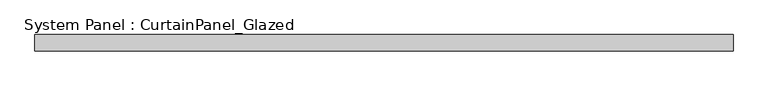
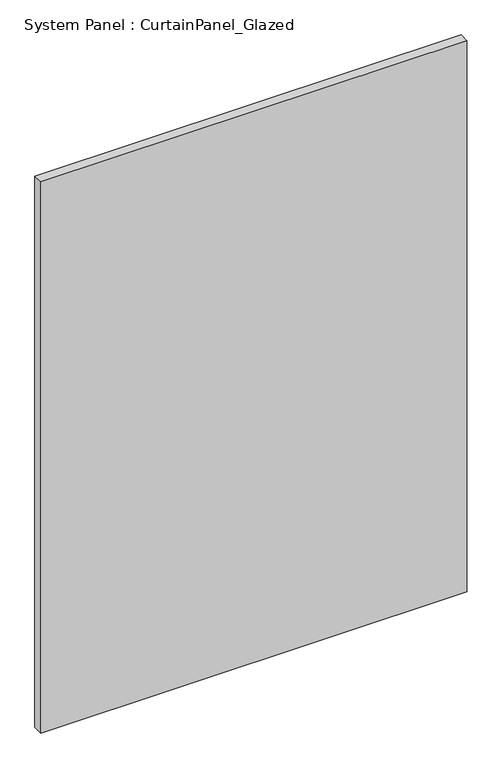
"""IFC4 building model written with IfcOpenShell, lengths in millimetres: plate geometry, System Panel : CurtainPanel_Glazed."""

import ifcopenshell
import ifcopenshell.guid

model = None  # the IFC model being written
_history = None  # IfcOwnerHistory: only IFC2X3 demands one
_inside = {}  # id of a spatial element -> (the spatial element, [elements in it])
_under = {}  # id of a project, library or spatial element -> (it, [spatial elements below it])
_declared = {}  # id of a project -> (the project, [libraries it declares])
_typed = {}  # id of a type object -> (the type object, [elements of that type])
_made_of = {}  # id of a material, layer set ... -> (it, [elements and type objects made of it])


def new_model(schema):
    """Start an empty IFC model of exactly this schema.

    Asked for "IFC4X3", IfcOpenShell would pick the latest addendum, in which some entities
    have other attributes; the version numbers below select the first issue.
    IFC2X3 requires an IfcOwnerHistory on every rooted entity: one is made here for all.
    """
    global model, _history
    if schema == "IFC4X3":
        model = ifcopenshell.file(schema_version=(4, 3, 0, 0))
    else:
        model = ifcopenshell.file(schema=schema)
    _inside.clear()
    _under.clear()
    _declared.clear()
    _typed.clear()
    _made_of.clear()
    _history = None
    if model.schema == "IFC2X3":
        org = make("IfcOrganization", Name="unknown")
        user = make(
            "IfcPersonAndOrganization",
            ThePerson=make("IfcPerson", FamilyName="unknown"),
            TheOrganization=org,
        )
        app = make(
            "IfcApplication",
            ApplicationDeveloper=org,
            Version="unknown",
            ApplicationFullName="unknown",
            ApplicationIdentifier="unknown",
        )
        _history = make(
            "IfcOwnerHistory",
            OwningUser=user,
            OwningApplication=app,
            ChangeAction="ADDED",
            CreationDate=0,
        )
    return model


def make(cls, **values):
    """One entity of the class cls with the attributes given. An attribute that is None is left unset."""
    return model.create_entity(
        cls, **{name: value for name, value in values.items() if value is not None}
    )


def rooted(cls, **values):
    """An entity with a GlobalId (a new one), such as an element, a storey or a relation."""
    return make(cls, GlobalId=ifcopenshell.guid.new(), OwnerHistory=_history, **values)


def si_unit(unit_type, name, prefix=None):
    """IfcSIUnit, for example si_unit("LENGTHUNIT", "METRE", prefix="MILLI")."""
    return make("IfcSIUnit", UnitType=unit_type, Prefix=prefix, Name=name)


def assignment(units):
    """IfcUnitAssignment: the units of a project."""
    return None if units is None else make("IfcUnitAssignment", Units=units)


def point(xyz):
    """IfcCartesianPoint."""
    return None if xyz is None else make("IfcCartesianPoint", Coordinates=xyz)


def direction(xyz):
    """IfcDirection."""
    return None if xyz is None else make("IfcDirection", DirectionRatios=xyz)


def frame(location, z_axis=None, x_axis=None):
    """IfcAxis2Placement3D, a coordinate frame: its origin and axes. An axis left out is left unset."""
    return make(
        "IfcAxis2Placement3D",
        Location=point(location),
        Axis=direction(z_axis),
        RefDirection=direction(x_axis),
    )


def origin():
    """The frame at (0, 0, 0) with its axes left unset."""
    return frame((0.0, 0.0, 0.0))


def origin_with_axes():
    """The frame at (0, 0, 0) with the z axis (0, 0, 1) and the x axis (1, 0, 0) written out."""
    return frame((0.0, 0.0, 0.0), z_axis=(0.0, 0.0, 1.0), x_axis=(1.0, 0.0, 0.0))


def place(relative_to, where):
    """IfcLocalPlacement: puts the frame where relative to a parent placement (None: the world)."""
    return make(
        "IfcLocalPlacement", PlacementRelTo=relative_to, RelativePlacement=where
    )


def context(
    kind, dimensions, precision=None, world=None, true_north=None, identifier=None
):
    """IfcGeometricRepresentationContext, for example the 3D "Model" context."""
    return make(
        "IfcGeometricRepresentationContext",
        ContextIdentifier=identifier,
        ContextType=kind,
        CoordinateSpaceDimension=dimensions,
        Precision=precision,
        WorldCoordinateSystem=world,
        TrueNorth=true_north,
    )


def project(units=None, contexts=None):
    """IfcProject with its units and contexts."""
    return rooted(
        "IfcProject",
        Name="project",
        RepresentationContexts=contexts,
        UnitsInContext=assignment(units),
    )


def spatial(cls, under=None, at=None, **own):
    """A site, building, storey or space (cls), placed at a placement, below another one or the project."""
    s = rooted(cls, ObjectPlacement=at, **own)
    if under is not None:
        _under.setdefault(under.id(), (under, []))[1].append(s)
    return s


def polyline(points):
    """IfcPolyline through the points."""
    return make("IfcPolyline", Points=[point(p) for p in points])


def outline(outer, holes=None, kind="AREA"):
    """IfcArbitraryClosedProfileDef: a profile drawn as a closed curve; with holes, ...WithVoids."""
    if holes is None:
        return make("IfcArbitraryClosedProfileDef", ProfileType=kind, OuterCurve=outer)
    return make(
        "IfcArbitraryProfileDefWithVoids",
        ProfileType=kind,
        OuterCurve=outer,
        InnerCurves=holes,
    )


def extrude(swept, where, along, depth):
    """IfcExtrudedAreaSolid: the profile swept, set in the frame where, extruded along a direction by depth."""
    return make(
        "IfcExtrudedAreaSolid",
        SweptArea=swept,
        Position=where,
        ExtrudedDirection=direction(along),
        Depth=depth,
    )


def shape(context_of_items, identifier, shape_type, items):
    """IfcShapeRepresentation: the items that make up one representation, for example the "Body"."""
    return make(
        "IfcShapeRepresentation",
        ContextOfItems=context_of_items,
        RepresentationIdentifier=identifier,
        RepresentationType=shape_type,
        Items=items,
    )


def source(mapping_origin, context_of_items, identifier, shape_type, items):
    """IfcRepresentationMap: a shape defined once, which mapped items show again and again."""
    return make(
        "IfcRepresentationMap",
        MappingOrigin=mapping_origin,
        MappedRepresentation=shape(context_of_items, identifier, shape_type, items),
    )


def transform(
    local_origin,
    x_axis=None,
    y_axis=None,
    z_axis=None,
    scale=None,
    scale2=None,
    scale3=None,
    uniform=True,
):
    """IfcCartesianTransformationOperator3D, or its non-uniform kind. x_axis, y_axis, z_axis: its Axis1, 2, 3."""
    if uniform:
        return make(
            "IfcCartesianTransformationOperator3D",
            Axis1=direction(x_axis),
            Axis2=direction(y_axis),
            LocalOrigin=point(local_origin),
            Scale=scale,
            Axis3=direction(z_axis),
        )
    return make(
        "IfcCartesianTransformationOperator3DnonUniform",
        Axis1=direction(x_axis),
        Axis2=direction(y_axis),
        LocalOrigin=point(local_origin),
        Scale=scale,
        Axis3=direction(z_axis),
        Scale2=scale2,
        Scale3=scale3,
    )


def mapped(mapping_source, mapping_target):
    """IfcMappedItem: shows the shape of a source again, moved by a transform."""
    return make(
        "IfcMappedItem", MappingSource=mapping_source, MappingTarget=mapping_target
    )


def made_of(thing, what):
    """Note that an element or type object is made of a material, layer set ...; save() writes the relation."""
    if what is not None:
        _made_of.setdefault(what.id(), (what, []))[1].append(thing)
    return thing


def element(
    cls,
    number,
    at=None,
    inside=None,
    cuts=None,
    type_object=None,
    material=None,
    context=None,
    identifier="Body",
    shape_type=None,
    held_by="IfcProductDefinitionShape",
    body=None,
    shapes=None,
    **own,
):
    """One element of the class cls, such as IfcWall. Its Tag is "e" and its number.

    at: its placement. inside: the storey or other place that contains it. cuts: it is an
    opening in that element (IfcRelVoidsElement). A single representation is given by context,
    identifier, shape_type and body (its items); several are given by shapes. held_by: the class
    of the entity that holds the representations. save() writes the other relations.
    """
    e = rooted(cls, Tag="e%d" % number, ObjectPlacement=at, **own)
    if body is not None:
        shapes = [shape(context, identifier, shape_type, body)]
    if shapes is not None:
        e.Representation = make(held_by, Representations=shapes)
    if inside is not None:
        _inside.setdefault(inside.id(), (inside, []))[1].append(e)
    if cuts is not None:
        rooted(
            "IfcRelVoidsElement", RelatingBuildingElement=cuts, RelatedOpeningElement=e
        )
    if type_object is not None:
        _typed.setdefault(type_object.id(), (type_object, []))[1].append(e)
    return made_of(e, material)


def aggregate(whole, parts):
    """IfcRelAggregates: a whole, such as a stair, and the parts it consists of."""
    return rooted("IfcRelAggregates", RelatingObject=whole, RelatedObjects=parts)


def save(model, path):
    """Write the relations noted so far, then the file.

    IfcRelAggregates (storeys below a building ...), IfcRelContainedInSpatialStructure (elements
    in a storey), IfcRelDefinesByType, IfcRelAssociatesMaterial and IfcRelDeclares: one each for
    every whole, place, type object, material and project.
    """
    for whole, parts in _under.values():
        aggregate(whole, parts)
    for where, things in _inside.values():
        rooted(
            "IfcRelContainedInSpatialStructure",
            RelatedElements=things,
            RelatingStructure=where,
        )
    for kind, things in _typed.values():
        rooted("IfcRelDefinesByType", RelatedObjects=things, RelatingType=kind)
    for what, things in _made_of.values():
        rooted("IfcRelAssociatesMaterial", RelatedObjects=things, RelatingMaterial=what)
    for by, libraries in _declared.values():
        rooted("IfcRelDeclares", RelatingContext=by, RelatedDefinitions=libraries)
    model.write(path)


def system_panel_curtainpanel_glazed_1d4d1999(model_context):
    return source(origin(), model_context, "Body", "SweptSolid", [
        extrude(outline(polyline([(530.0000001, -12.5), (-530.0000001, -12.5), (-530.0000001, 12.5), (530.0000001, 12.5), (530.0000001, -12.5)])), origin_with_axes(), (0.0, 0.0, 1.0), 1450.0),
    ])


if __name__ == "__main__":
    model = new_model("IFC4")
    model_context = context("Model", 3, world=origin())
    ifc_project = project(units=[si_unit("LENGTHUNIT", "METRE", prefix="MILLI")], contexts=[model_context])
    site = spatial("IfcSite", under=ifc_project)
    building = spatial("IfcBuilding", under=site)
    placement = place(None, origin())
    system_panel_curtainpanel_glazed_shape = system_panel_curtainpanel_glazed_1d4d1999(model_context)
    element("IfcPlate", 1, ObjectType="System Panel : CurtainPanel_Glazed", at=placement, inside=building, context=model_context, shape_type="MappedRepresentation", body=[
        mapped(system_panel_curtainpanel_glazed_shape, transform((0.0, 0.0, 0.0), x_axis=(1.0, 0.0, 0.0), y_axis=(0.0, 1.0, 0.0), z_axis=(0.0, 0.0, 1.0))),
    ])
    save(model, "model.ifc")
